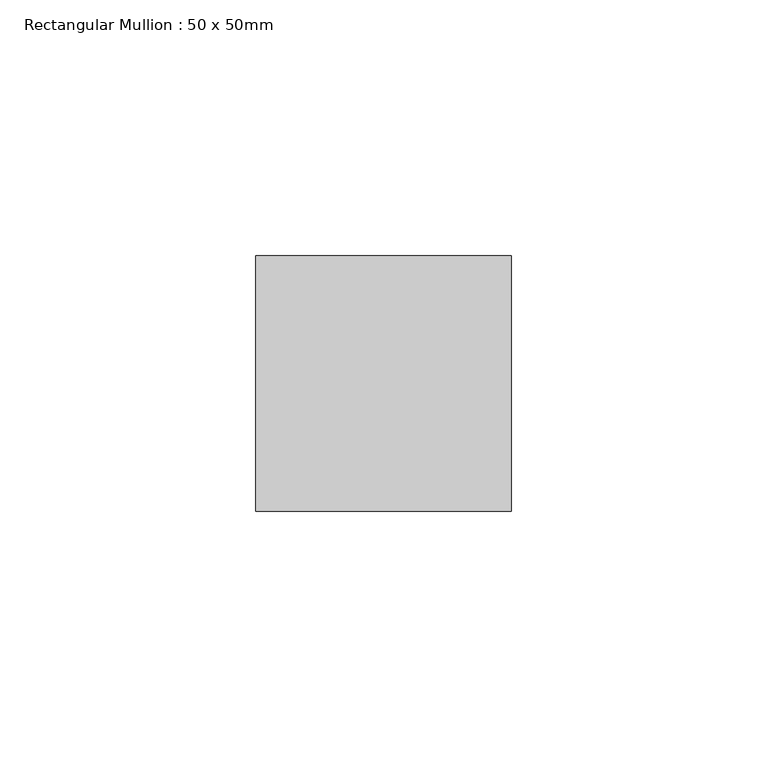
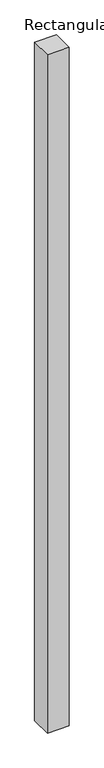
"""IFC4 building model written with IfcOpenShell, lengths in millimetres: member geometry, Rectangular Mullion : 50 x 50mm."""

import ifcopenshell
import ifcopenshell.guid

model = None  # the IFC model being written
_history = None  # IfcOwnerHistory: only IFC2X3 demands one
_inside = {}  # id of a spatial element -> (the spatial element, [elements in it])
_under = {}  # id of a project, library or spatial element -> (it, [spatial elements below it])
_declared = {}  # id of a project -> (the project, [libraries it declares])
_typed = {}  # id of a type object -> (the type object, [elements of that type])
_made_of = {}  # id of a material, layer set ... -> (it, [elements and type objects made of it])


def new_model(schema):
    """Start an empty IFC model of exactly this schema.

    Asked for "IFC4X3", IfcOpenShell would pick the latest addendum, in which some entities
    have other attributes; the version numbers below select the first issue.
    IFC2X3 requires an IfcOwnerHistory on every rooted entity: one is made here for all.
    """
    global model, _history
    if schema == "IFC4X3":
        model = ifcopenshell.file(schema_version=(4, 3, 0, 0))
    else:
        model = ifcopenshell.file(schema=schema)
    _inside.clear()
    _under.clear()
    _declared.clear()
    _typed.clear()
    _made_of.clear()
    _history = None
    if model.schema == "IFC2X3":
        org = make("IfcOrganization", Name="unknown")
        user = make(
            "IfcPersonAndOrganization",
            ThePerson=make("IfcPerson", FamilyName="unknown"),
            TheOrganization=org,
        )
        app = make(
            "IfcApplication",
            ApplicationDeveloper=org,
            Version="unknown",
            ApplicationFullName="unknown",
            ApplicationIdentifier="unknown",
        )
        _history = make(
            "IfcOwnerHistory",
            OwningUser=user,
            OwningApplication=app,
            ChangeAction="ADDED",
            CreationDate=0,
        )
    return model


def make(cls, **values):
    """One entity of the class cls with the attributes given. An attribute that is None is left unset."""
    return model.create_entity(
        cls, **{name: value for name, value in values.items() if value is not None}
    )


def rooted(cls, **values):
    """An entity with a GlobalId (a new one), such as an element, a storey or a relation."""
    return make(cls, GlobalId=ifcopenshell.guid.new(), OwnerHistory=_history, **values)


def si_unit(unit_type, name, prefix=None):
    """IfcSIUnit, for example si_unit("LENGTHUNIT", "METRE", prefix="MILLI")."""
    return make("IfcSIUnit", UnitType=unit_type, Prefix=prefix, Name=name)


def assignment(units):
    """IfcUnitAssignment: the units of a project."""
    return None if units is None else make("IfcUnitAssignment", Units=units)


def point(xyz):
    """IfcCartesianPoint."""
    return None if xyz is None else make("IfcCartesianPoint", Coordinates=xyz)


def direction(xyz):
    """IfcDirection."""
    return None if xyz is None else make("IfcDirection", DirectionRatios=xyz)


def frame(location, z_axis=None, x_axis=None):
    """IfcAxis2Placement3D, a coordinate frame: its origin and axes. An axis left out is left unset."""
    return make(
        "IfcAxis2Placement3D",
        Location=point(location),
        Axis=direction(z_axis),
        RefDirection=direction(x_axis),
    )


def origin():
    """The frame at (0, 0, 0) with its axes left unset."""
    return frame((0.0, 0.0, 0.0))


def place(relative_to, where):
    """IfcLocalPlacement: puts the frame where relative to a parent placement (None: the world)."""
    return make(
        "IfcLocalPlacement", PlacementRelTo=relative_to, RelativePlacement=where
    )


def context(
    kind, dimensions, precision=None, world=None, true_north=None, identifier=None
):
    """IfcGeometricRepresentationContext, for example the 3D "Model" context."""
    return make(
        "IfcGeometricRepresentationContext",
        ContextIdentifier=identifier,
        ContextType=kind,
        CoordinateSpaceDimension=dimensions,
        Precision=precision,
        WorldCoordinateSystem=world,
        TrueNorth=true_north,
    )


def project(units=None, contexts=None):
    """IfcProject with its units and contexts."""
    return rooted(
        "IfcProject",
        Name="project",
        RepresentationContexts=contexts,
        UnitsInContext=assignment(units),
    )


def spatial(cls, under=None, at=None, **own):
    """A site, building, storey or space (cls), placed at a placement, below another one or the project."""
    s = rooted(cls, ObjectPlacement=at, **own)
    if under is not None:
        _under.setdefault(under.id(), (under, []))[1].append(s)
    return s


def polyline(points):
    """IfcPolyline through the points."""
    return make("IfcPolyline", Points=[point(p) for p in points])


def outline(outer, holes=None, kind="AREA"):
    """IfcArbitraryClosedProfileDef: a profile drawn as a closed curve; with holes, ...WithVoids."""
    if holes is None:
        return make("IfcArbitraryClosedProfileDef", ProfileType=kind, OuterCurve=outer)
    return make(
        "IfcArbitraryProfileDefWithVoids",
        ProfileType=kind,
        OuterCurve=outer,
        InnerCurves=holes,
    )


def extrude(swept, where, along, depth):
    """IfcExtrudedAreaSolid: the profile swept, set in the frame where, extruded along a direction by depth."""
    return make(
        "IfcExtrudedAreaSolid",
        SweptArea=swept,
        Position=where,
        ExtrudedDirection=direction(along),
        Depth=depth,
    )


def shape(context_of_items, identifier, shape_type, items):
    """IfcShapeRepresentation: the items that make up one representation, for example the "Body"."""
    return make(
        "IfcShapeRepresentation",
        ContextOfItems=context_of_items,
        RepresentationIdentifier=identifier,
        RepresentationType=shape_type,
        Items=items,
    )


def source(mapping_origin, context_of_items, identifier, shape_type, items):
    """IfcRepresentationMap: a shape defined once, which mapped items show again and again."""
    return make(
        "IfcRepresentationMap",
        MappingOrigin=mapping_origin,
        MappedRepresentation=shape(context_of_items, identifier, shape_type, items),
    )


def transform(
    local_origin,
    x_axis=None,
    y_axis=None,
    z_axis=None,
    scale=None,
    scale2=None,
    scale3=None,
    uniform=True,
):
    """IfcCartesianTransformationOperator3D, or its non-uniform kind. x_axis, y_axis, z_axis: its Axis1, 2, 3."""
    if uniform:
        return make(
            "IfcCartesianTransformationOperator3D",
            Axis1=direction(x_axis),
            Axis2=direction(y_axis),
            LocalOrigin=point(local_origin),
            Scale=scale,
            Axis3=direction(z_axis),
        )
    return make(
        "IfcCartesianTransformationOperator3DnonUniform",
        Axis1=direction(x_axis),
        Axis2=direction(y_axis),
        LocalOrigin=point(local_origin),
        Scale=scale,
        Axis3=direction(z_axis),
        Scale2=scale2,
        Scale3=scale3,
    )


def mapped(mapping_source, mapping_target):
    """IfcMappedItem: shows the shape of a source again, moved by a transform."""
    return make(
        "IfcMappedItem", MappingSource=mapping_source, MappingTarget=mapping_target
    )


def made_of(thing, what):
    """Note that an element or type object is made of a material, layer set ...; save() writes the relation."""
    if what is not None:
        _made_of.setdefault(what.id(), (what, []))[1].append(thing)
    return thing


def element(
    cls,
    number,
    at=None,
    inside=None,
    cuts=None,
    type_object=None,
    material=None,
    context=None,
    identifier="Body",
    shape_type=None,
    held_by="IfcProductDefinitionShape",
    body=None,
    shapes=None,
    **own,
):
    """One element of the class cls, such as IfcWall. Its Tag is "e" and its number.

    at: its placement. inside: the storey or other place that contains it. cuts: it is an
    opening in that element (IfcRelVoidsElement). A single representation is given by context,
    identifier, shape_type and body (its items); several are given by shapes. held_by: the class
    of the entity that holds the representations. save() writes the other relations.
    """
    e = rooted(cls, Tag="e%d" % number, ObjectPlacement=at, **own)
    if body is not None:
        shapes = [shape(context, identifier, shape_type, body)]
    if shapes is not None:
        e.Representation = make(held_by, Representations=shapes)
    if inside is not None:
        _inside.setdefault(inside.id(), (inside, []))[1].append(e)
    if cuts is not None:
        rooted(
            "IfcRelVoidsElement", RelatingBuildingElement=cuts, RelatedOpeningElement=e
        )
    if type_object is not None:
        _typed.setdefault(type_object.id(), (type_object, []))[1].append(e)
    return made_of(e, material)


def aggregate(whole, parts):
    """IfcRelAggregates: a whole, such as a stair, and the parts it consists of."""
    return rooted("IfcRelAggregates", RelatingObject=whole, RelatedObjects=parts)


def save(model, path):
    """Write the relations noted so far, then the file.

    IfcRelAggregates (storeys below a building ...), IfcRelContainedInSpatialStructure (elements
    in a storey), IfcRelDefinesByType, IfcRelAssociatesMaterial and IfcRelDeclares: one each for
    every whole, place, type object, material and project.
    """
    for whole, parts in _under.values():
        aggregate(whole, parts)
    for where, things in _inside.values():
        rooted(
            "IfcRelContainedInSpatialStructure",
            RelatedElements=things,
            RelatingStructure=where,
        )
    for kind, things in _typed.values():
        rooted("IfcRelDefinesByType", RelatedObjects=things, RelatingType=kind)
    for what, things in _made_of.values():
        rooted("IfcRelAssociatesMaterial", RelatedObjects=things, RelatingMaterial=what)
    for by, libraries in _declared.values():
        rooted("IfcRelDeclares", RelatingContext=by, RelatedDefinitions=libraries)
    model.write(path)


def rectangular_mullion_50_x_50mm_1d465316(model_context):
    return source(origin(), model_context, "Body", "SweptSolid", [
        extrude(outline(polyline([(0.0, 50.0), (0.0, 0.0), (-50.0, 0.0), (-50.0, 50.0), (0.0, 50.0)])), frame((0.0, 0.0, -1643.0), z_axis=(0.0, 0.0, 1.0), x_axis=(1.0, 0.0, 0.0)), (0.0, 0.0, 1.0), 1643.0),
    ])


if __name__ == "__main__":
    model = new_model("IFC4")
    model_context = context("Model", 3, world=origin())
    ifc_project = project(units=[si_unit("LENGTHUNIT", "METRE", prefix="MILLI")], contexts=[model_context])
    site = spatial("IfcSite", under=ifc_project)
    building = spatial("IfcBuilding", under=site)
    placement = place(None, origin())
    rectangular_mullion_50_x_50mm_shape = rectangular_mullion_50_x_50mm_1d465316(model_context)
    element("IfcMember", 1, ObjectType="Rectangular Mullion : 50 x 50mm", at=placement, inside=building, context=model_context, shape_type="MappedRepresentation", body=[
        mapped(rectangular_mullion_50_x_50mm_shape, transform((0.0, 0.0, 0.0), x_axis=(1.0, 0.0, 0.0), y_axis=(0.0, 1.0, 0.0), z_axis=(0.0, 0.0, 1.0))),
    ])
    save(model, "model.ifc")
